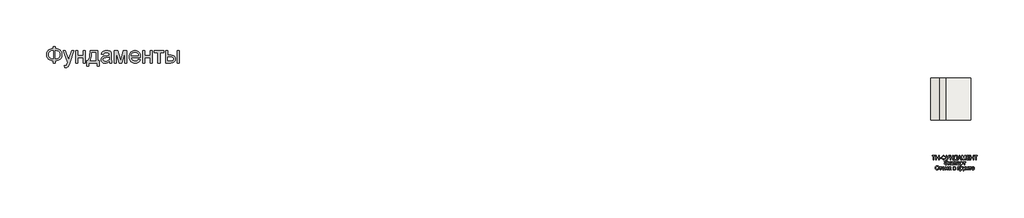
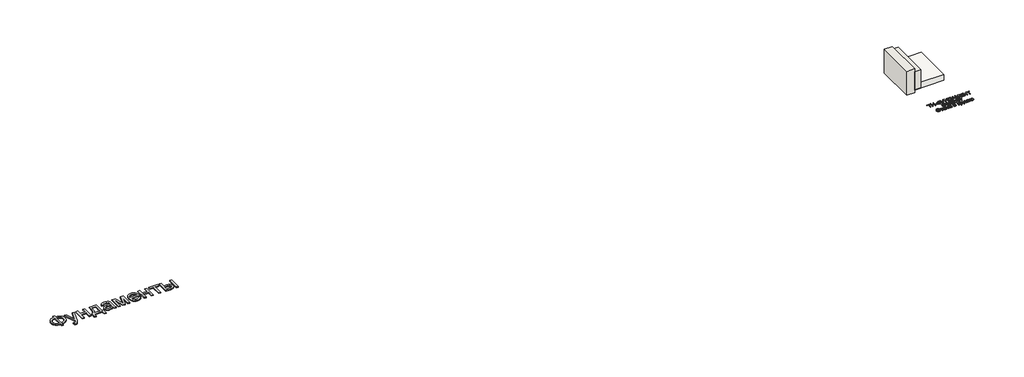
# One storey: 2 proxies, 2 walls, 1 slab.
"""IFC4 building model written with IfcOpenShell, lengths in millimetres."""

from ifc_helpers import new_model, si_unit, frame, origin, origin_with_axes, place, context, project, spatial, polyline, outline, extrude, faceted_brep, element, save

model = new_model("IFC4")

# Units and contexts
model_context = context("Model", 3, world=origin())
ifc_project = project(units=[si_unit("LENGTHUNIT", "METRE", prefix="MILLI")], contexts=[model_context])

# Site, building, storey
site = spatial("IfcSite", under=ifc_project)
building = spatial("IfcBuilding", under=site)
storey = spatial("IfcBuildingStorey", under=building, Elevation=0.0)

# Proxies
placement = place(None, origin())
element("IfcBuildingElementProxy", 1, Name="Generic Models", at=placement, inside=storey, context=model_context, shape_type="SweptSolid", body=[
    extrude(outline(polyline([(-1939.8736325, -26885.7211043), (-1939.8736325, -26787.7817103), (-1841.9342386, -26787.7817103), (-1841.9342386, -26885.7211043), (-1772.0723186, -26894.3529698), (-1709.9695132, -26912.2144755), (-1655.6258224, -26939.3056213), (-1609.0412461, -26975.6264073), (-1571.6743546, -27019.0607113), (-1544.9837177, -27067.4924111), (-1528.9693356, -27120.9215067), (-1523.6312083, -27179.3479982), (-1528.8019587, -27236.6028514), (-1544.3142102, -27289.3863505), (-1570.1679625, -27337.6984954), (-1606.3632158, -27381.5392861), (-1628.1416397, -27401.1761824), (-1652.1109076, -27418.4817577), (-1706.6219753, -27446.0989452), (-1769.896419, -27464.3908486), (-1841.9342386, -27473.3574679), (-1841.9342386, -27571.2968619), (-1939.8736325, -27571.2968619), (-1939.8736325, -27473.3574679), (-2005.3060425, -27466.0586398), (-2065.0237272, -27449.518216), (-2119.0266865, -27423.7361966), (-2167.3149204, -27388.7125816), (-2207.0669327, -27345.8939854), (-2222.6837947, -27322.10405), (-2235.4612272, -27296.7270228), (-2245.3992303, -27269.7629041), (-2252.4978039, -27241.2116938), (-2258.1766628, -27179.3479982), (-2252.5157371, -27117.2033486), (-2245.4395801, -27088.5878775), (-2235.5329602, -27061.6103088), (-2222.7958774, -27036.2706426), (-2207.2283318, -27012.5688789), (-2188.8303234, -26990.5050176), (-2167.6018522, -26970.0790588), (-2119.4032845, -26935.3961753), (-2065.382392, -26909.775555), (-2005.5391746, -26893.217198), (-1939.8736325, -26885.7211043)]), holes=[polyline([(-1841.9342386, -26983.6604982), (-1841.9342386, -27375.418074), (-1793.3949393, -27370.2234125), (-1750.3073446, -27359.2303372), (-1712.6714545, -27342.4388481), (-1680.4872689, -27319.8489452), (-1654.7112272, -27291.9627591), (-1636.2997689, -27259.2824206), (-1625.2528939, -27221.8079296), (-1621.5706022, -27179.5392861), (-1625.1871387, -27137.922217), (-1636.036748, -27100.872146), (-1654.1194303, -27068.389073), (-1679.4351855, -27040.4729982), (-1711.2905951, -27017.6977852), (-1748.9922405, -27000.6372975), (-1792.5401216, -26989.2915352), (-1841.9342386, -26983.6604982)]), polyline([(-1939.8736325, -26983.6604982), (-1986.781007, -26988.5861611), (-2028.989873, -26999.3461043), (-2066.5002305, -27015.9403278), (-2099.3120795, -27038.3688316), (-2125.9668498, -27066.2012179), (-2145.0059715, -27099.0070891), (-2156.4294445, -27136.7864452), (-2160.2372689, -27179.5392861), (-2156.4772665, -27221.9035735), (-2145.1972594, -27259.4737085), (-2126.3972476, -27292.2496909), (-2100.077231, -27320.231521), (-2067.5044919, -27342.8692459), (-2029.9463124, -27359.612913), (-1987.4026926, -27370.4625224), (-1939.8736325, -27375.418074), (-1939.8736325, -26983.6604982)])]), origin_with_axes(), (0.0, 0.0, 1.0), 40.0),
    extrude(outline(polyline([(-1401.2069658, -27791.6604982), (-1413.4493901, -27697.355574), (-1386.764731, -27703.8115399), (-1363.7145416, -27705.9635285), (-1337.5559242, -27703.2615872), (-1317.2315871, -27695.1557634), (-1301.4025151, -27682.2199206), (-1288.7296931, -27665.0279225), (-1261.9493901, -27592.9123922), (-1254.2978749, -27569.1926952), (-1462.4190871, -26995.9029225), (-1359.1236325, -26995.9029225), (-1248.7505264, -27315.35368), (-1210.3016628, -27443.1339831), (-1171.8527992, -27330.2741346), (-1058.4190871, -26995.9029225), (-955.888784, -26995.9029225), (-1156.1671931, -27585.0695891), (-1185.9124583, -27663.4019755), (-1208.1974961, -27712.8498922), (-1234.8343333, -27753.6420323), (-1265.0099961, -27781.9048164), (-1300.0634999, -27798.403396), (-1341.3338598, -27803.9029225), (-1369.6922878, -27800.8423164), (-1401.2069658, -27791.6604982)])), origin_with_axes(), (0.0, 0.0, 1.0), 40.0),
    extrude(outline(polyline([(-874.7827234, -26995.9029225), (-776.8433295, -26995.9029225), (-776.8433295, -27216.2665588), (-519.7524204, -27216.2665588), (-519.7524204, -26995.9029225), (-421.8130264, -26995.9029225), (-421.8130264, -27571.2968619), (-519.7524204, -27571.2968619), (-519.7524204, -27314.2059528), (-776.8433295, -27314.2059528), (-776.8433295, -27571.2968619), (-874.7827234, -27571.2968619), (-874.7827234, -26995.9029225)])), origin_with_axes(), (0.0, 0.0, 1.0), 40.0),
    extrude(outline(polyline([(-189.2069658, -26995.9029225), (178.0657614, -26995.9029225), (178.0657614, -27473.3574679), (251.5203069, -27473.3574679), (251.5203069, -27730.448377), (153.5809129, -27730.448377), (153.5809129, -27571.2968619), (-250.4190871, -27571.2968619), (-250.4190871, -27730.448377), (-348.358481, -27730.448377), (-348.358481, -27473.3574679), (-287.1463598, -27473.3574679), (-263.2293972, -27436.3970631), (-242.648017, -27392.9448259), (-225.4022192, -27343.0007563), (-211.4920037, -27286.5648543), (-200.9173707, -27223.6371199), (-193.67832, -27154.2175531), (-189.7748517, -27078.306154), (-189.2069658, -26995.9029225)]), holes=[polyline([(-103.5099961, -27093.8423164), (-111.5440871, -27213.7559054), (-126.4645416, -27316.979627), (-148.2713598, -27403.5134812), (-161.7571552, -27440.521708), (-176.9645416, -27473.3574679), (80.1263675, -27473.3574679), (80.1263675, -27093.8423164), (-103.5099961, -27093.8423164)])]), origin_with_axes(), (0.0, 0.0, 1.0), 40.0),
    extrude(outline(polyline([(728.9748523, -27497.8423164), (682.181055, -27537.964949), (658.2640924, -27552.8256261), (634.0004205, -27564.2192103), (583.3330436, -27578.7092672), (529.079019, -27583.5392861), (485.4713604, -27580.6341014), (447.2317179, -27571.9185475), (414.3600914, -27557.3926242), (386.8564811, -27537.0563316), (365.1393291, -27512.2008628), (349.6270777, -27484.1174111), (340.3197269, -27452.8059764), (337.2172766, -27418.2665588), (341.9038296, -27377.6657066), (355.9634887, -27340.7949679), (377.650752, -27309.2324679), (405.2201175, -27284.5563316), (437.619502, -27265.9057634), (473.796822, -27252.4199679), (558.5373523, -27237.6908013), (658.6765569, -27222.1964831), (728.4009887, -27204.0241346), (728.9748523, -27182.2173164), (727.2891279, -27158.4737085), (722.2319546, -27138.5080361), (713.8033325, -27122.3202994), (702.0032614, -27109.9104982), (681.6071914, -27097.5246081), (656.7636781, -27088.6775437), (627.4727217, -27083.369305), (593.734322, -27081.5998922), (535.391519, -27086.3103562), (512.8195493, -27092.1984362), (494.6472008, -27100.4417482), (479.7147908, -27111.6858888), (466.8626364, -27126.5764547), (456.0907378, -27145.1134457), (447.3990948, -27167.2968619), (349.4597008, -27155.0544376), (366.4604111, -27101.4938316), (378.0990829, -27079.0175058), (391.829966, -27059.4104982), (408.2448571, -27042.2782776), (427.9355531, -27027.2263126), (450.902054, -27014.2546033), (477.1443599, -27003.3631497), (537.3283088, -26988.5861611), (606.359322, -26983.6604982), (672.5688391, -26988.0122975), (725.0534508, -27001.0676952), (764.6261307, -27020.6986138), (792.0998523, -27044.7769755), (810.3200228, -27074.5461516), (822.1320493, -27111.2495134), (825.718697, -27145.1074679), (826.9142463, -27196.9464831), (826.9142463, -27318.7968619), (828.1576175, -27424.9377236), (831.8877311, -27488.94743), (839.2523145, -27531.0068524), (851.3990948, -27571.2968619), (753.4597008, -27571.2968619), (737.7740948, -27537.2476194), (728.9748523, -27497.8423164)]), holes=[polyline([(728.9748523, -27301.9635285), (663.171822, -27318.2708202), (570.9710645, -27331.9957255), (520.1602217, -27339.5037747), (486.7087539, -27347.8726194), (464.7823807, -27358.7282066), (448.546822, -27373.6964831), (438.5042084, -27391.6297217), (435.1566705, -27411.3801952), (436.9798831, -27426.599537), (442.4495209, -27440.5037747), (451.5655839, -27453.0929083), (464.328072, -27464.3669376), (480.6174305, -27473.6563552), (500.3141042, -27480.2916535), (549.9293978, -27485.5998922), (602.5335645, -27479.7417009), (626.5401932, -27472.4189618), (649.016519, -27462.167127), (686.7002311, -27436.2715304), (712.9066705, -27405.450271), (724.5274092, -27373.6964831), (728.4009887, -27329.700271), (728.9748523, -27301.9635285)])]), origin_with_axes(), (0.0, 0.0, 1.0), 40.0),
    extrude(outline(polyline([(961.5809129, -26995.9029225), (1130.1055342, -26995.9029225), (1259.9900039, -27456.5241346), (1400.0127311, -26995.9029225), (1561.4597008, -26995.9029225), (1561.4597008, -27571.2968619), (1463.5203069, -27571.2968619), (1463.5203069, -27107.9976194), (1322.7324281, -27571.2968619), (1194.1869736, -27571.2968619), (1059.5203069, -27085.8082255), (1059.5203069, -27571.2968619), (961.5809129, -27571.2968619), (961.5809129, -26995.9029225)])), origin_with_axes(), (0.0, 0.0, 1.0), 40.0),
    extrude(outline(polyline([(2111.2210645, -27399.9029225), (2207.2475796, -27412.1453467), (2192.5243907, -27450.6061658), (2172.6483845, -27484.4999869), (2147.6195611, -27513.8268098), (2117.4379205, -27538.5866346), (2082.4143055, -27558.2534196), (2042.8595588, -27572.3011232), (1998.7736805, -27580.7297454), (1950.1566705, -27583.5392861), (1889.3869025, -27578.6913339), (1835.2404773, -27564.1474774), (1787.717395, -27539.9077165), (1746.8176554, -27505.9720513), (1713.9280957, -27463.2849656), (1690.4355531, -27412.7909433), (1676.3400275, -27354.4899845), (1671.641519, -27288.3820891), (1676.3878495, -27220.0325389), (1690.626841, -27159.7888126), (1714.3584934, -27107.6509102), (1747.5828069, -27063.6188316), (1788.374947, -27028.6370607), (1834.8100796, -27003.6500816), (1886.8882046, -26988.6578941), (1944.609322, -26983.6604982), (2000.4713604, -26988.6459386), (2050.9892936, -27003.6022596), (2096.1631218, -27028.5294613), (2135.9928448, -27063.4275437), (2168.5058064, -27107.3639783), (2191.7293504, -27159.4062369), (2205.6634769, -27219.5543192), (2210.3081857, -27287.8082255), (2209.734322, -27314.2059528), (1769.5809129, -27314.2059528), (1775.2537941, -27353.2884575), (1786.5338012, -27387.5170323), (1803.4209343, -27416.8916772), (1825.9151932, -27441.4123922), (1852.773207, -27460.7444234), (1882.7516042, -27474.5530172), (1915.850385, -27482.8381734), (1952.0695493, -27485.5998922), (2004.1954963, -27480.4829414), (2048.0960645, -27465.1320891), (2066.9618315, -27453.3798401), (2083.7712539, -27438.590896), (2098.5243315, -27420.7652567), (2111.2210645, -27399.9029225)]), holes=[polyline([(1769.5809129, -27216.2665588), (2112.3687917, -27216.2665588), (2107.3355294, -27188.5537274), (2099.1221061, -27164.5231876), (2087.7285218, -27144.1749395), (2073.1547766, -27127.5089831), (2046.4462065, -27107.4237558), (2016.0553448, -27093.0771649), (1981.9821914, -27084.4692103), (1944.2267463, -27081.5998922), (1909.7889504, -27083.889369), (1878.2085171, -27090.7577994), (1849.4854466, -27102.2051834), (1823.6197387, -27118.231521), (1801.9145422, -27138.0955716), (1785.6730057, -27161.0560948), (1774.8951293, -27187.1130906), (1769.5809129, -27216.2665588)])]), origin_with_axes(), (0.0, 0.0, 1.0), 40.0),
    extrude(outline(polyline([(2308.2475796, -26995.9029225), (2406.1869736, -26995.9029225), (2406.1869736, -27216.2665588), (2663.2778826, -27216.2665588), (2663.2778826, -26995.9029225), (2761.2172766, -26995.9029225), (2761.2172766, -27571.2968619), (2663.2778826, -27571.2968619), (2663.2778826, -27314.2059528), (2406.1869736, -27314.2059528), (2406.1869736, -27571.2968619), (2308.2475796, -27571.2968619), (2308.2475796, -26995.9029225)])), origin_with_axes(), (0.0, 0.0, 1.0), 40.0),
    extrude(outline(polyline([(2859.1566705, -26995.9029225), (3324.3687917, -26995.9029225), (3324.3687917, -27093.8423164), (3140.7324281, -27093.8423164), (3140.7324281, -27571.2968619), (3042.7930342, -27571.2968619), (3042.7930342, -27093.8423164), (2859.1566705, -27093.8423164), (2859.1566705, -26995.9029225)])), origin_with_axes(), (0.0, 0.0, 1.0), 40.0),
    extrude(outline(polyline([(3948.7324281, -26995.9029225), (4046.671822, -26995.9029225), (4046.671822, -27571.2968619), (3948.7324281, -27571.2968619), (3948.7324281, -26995.9029225)])), origin_with_axes(), (0.0, 0.0, 1.0), 40.0),
    extrude(outline(polyline([(3410.0657614, -26995.9029225), (3508.0051554, -26995.9029225), (3508.0051554, -27204.0241346), (3629.0903826, -27204.0241346), (3684.8089551, -27207.0907184), (3733.7487633, -27216.2904698), (3775.9098074, -27231.6233888), (3811.2920872, -27253.0894755), (3839.2858727, -27279.9474892), (3859.2814338, -27311.4561895), (3871.2787704, -27347.6155763), (3875.2778826, -27388.4256497), (3871.924367, -27424.8361019), (3861.8638201, -27458.5087463), (3845.096242, -27489.443583), (3821.6216326, -27517.6406119), (3790.7824399, -27541.1152212), (3751.9211118, -27557.8827994), (3705.0376483, -27567.9433462), (3650.1320493, -27571.2968619), (3410.0657614, -27571.2968619), (3410.0657614, -26995.9029225)]), holes=[polyline([(3508.0051554, -27473.3574679), (3608.6225796, -27473.3574679), (3686.6202122, -27468.2166062), (3715.8274802, -27461.790529), (3738.5070493, -27452.794021), (3755.495804, -27441.0716606), (3767.6306289, -27426.4680266), (3774.9115237, -27408.983119), (3777.3384887, -27388.6169376), (3775.5391871, -27372.1542245), (3770.1412823, -27356.6240399), (3761.1447742, -27342.0263836), (3748.5496629, -27328.3612558), (3729.8094286, -27316.8122501), (3702.3775512, -27308.5629603), (3666.2540308, -27303.6133865), (3621.4388675, -27301.9635285), (3508.0051554, -27301.9635285), (3508.0051554, -27473.3574679)])]), origin_with_axes(), (0.0, 0.0, 1.0), 40.0),
])
element("IfcBuildingElementProxy", 2, Name="Generic Models", at=placement, inside=storey, context=model_context, shape_type="SweptSolid", body=[
    extrude(outline(polyline([(39925.3446194, -32185.261782), (39925.3446194, -32012.9540897), (39860.7292348, -32012.9540897), (39860.7292348, -31988.3387051), (40014.5753886, -31988.3387051), (40014.5753886, -32012.9540897), (39949.960004, -32012.9540897), (39949.960004, -32185.261782), (39925.3446194, -32185.261782)])), origin_with_axes(), (0.0, 0.0, 1.0), 20.0),
    extrude(outline(polyline([(40042.2676963, -32185.261782), (40042.2676963, -31988.3387051), (40066.8830809, -31988.3387051), (40066.8830809, -32068.3387051), (40171.4984656, -32068.3387051), (40171.4984656, -31988.3387051), (40196.1138502, -31988.3387051), (40196.1138502, -32185.261782), (40171.4984656, -32185.261782), (40171.4984656, -32092.9540897), (40066.8830809, -32092.9540897), (40066.8830809, -32185.261782), (40042.2676963, -32185.261782)])), origin_with_axes(), (0.0, 0.0, 1.0), 20.0),
    extrude(outline(polyline([(40223.8061579, -32126.8002435), (40223.8061579, -32102.1848589), (40300.7292348, -32102.1848589), (40300.7292348, -32126.8002435), (40223.8061579, -32126.8002435)])), origin_with_axes(), (0.0, 0.0, 1.0), 20.0),
    extrude(outline(polyline([(40402.2676963, -32012.9540897), (40402.2676963, -31988.3387051), (40426.8830809, -31988.3387051), (40426.8830809, -32012.9540897), (40460.0501482, -32019.6127435), (40485.4167348, -32035.5502435), (40501.5164944, -32058.6391858), (40506.8830809, -32086.7521666), (40501.6847636, -32114.4084166), (40486.0898117, -32137.5694743), (40460.8914944, -32153.7954358), (40426.8830809, -32160.6463974), (40426.8830809, -32185.261782), (40402.2676963, -32185.261782), (40402.2676963, -32160.6463974), (40370.8133694, -32154.6548108), (40345.1042348, -32139.3723589), (40335.1132492, -32128.6106402), (40327.9768309, -32116.2533685), (40322.2676963, -32086.7521666), (40327.9588021, -32057.1608204), (40335.0726843, -32044.8350993), (40345.0321194, -32034.1560127), (40370.7232252, -32018.9997627), (40402.2676963, -32012.9540897)]), holes=[polyline([(40402.2676963, -32037.5694743), (40379.8698598, -32041.511782), (40362.1955809, -32051.3194743), (40350.7112059, -32066.5598589), (40346.8830809, -32086.8002435), (40350.663129, -32106.8903877), (40362.0032732, -32122.1608204), (40379.6294752, -32132.058657), (40402.2676963, -32136.0310127), (40402.2676963, -32037.5694743)]), polyline([(40426.8830809, -32037.5694743), (40426.8830809, -32136.0310127), (40449.9119271, -32131.9625031), (40467.460004, -32122.0646666), (40478.5657732, -32106.8423108), (40482.2676963, -32086.8002435), (40478.631879, -32067.0286089), (40467.7244271, -32051.8483204), (40450.2424559, -32041.8363012), (40426.8830809, -32037.5694743)])]), origin_with_axes(), (0.0, 0.0, 1.0), 20.0),
    extrude(outline(polyline([(40526.8830809, -31988.3387051), (40554.1426963, -31988.3387051), (40613.0369271, -32104.9733204), (40666.0176963, -31988.3387051), (40693.0369271, -31988.3387051), (40618.2773117, -32141.7521666), (40597.9407732, -32179.4444743), (40588.2893309, -32186.1151474), (40575.2003886, -32188.3387051), (40553.0369271, -32185.261782), (40553.0369271, -32163.7233204), (40572.4119271, -32163.7233204), (40586.7869271, -32158.2425512), (40600.1042348, -32133.2906281), (40526.8830809, -31988.3387051)])), origin_with_axes(), (0.0, 0.0, 1.0), 20.0),
    extrude(outline(polyline([(40716.1138502, -32185.261782), (40716.1138502, -31988.3387051), (40740.7292348, -31988.3387051), (40740.7292348, -32068.3387051), (40845.3446194, -32068.3387051), (40845.3446194, -31988.3387051), (40869.960004, -31988.3387051), (40869.960004, -32185.261782), (40845.3446194, -32185.261782), (40845.3446194, -32092.9540897), (40740.7292348, -32092.9540897), (40740.7292348, -32185.261782), (40716.1138502, -32185.261782)])), origin_with_axes(), (0.0, 0.0, 1.0), 20.0),
    extrude(outline(polyline([(40931.4984656, -31988.3387051), (41048.4215425, -31988.3387051), (41048.4215425, -32160.6463974), (41066.8830809, -32160.6463974), (41066.8830809, -32231.4156281), (41042.2676963, -32231.4156281), (41042.2676963, -32185.261782), (40916.1138502, -32185.261782), (40916.1138502, -32231.4156281), (40891.4984656, -32231.4156281), (40891.4984656, -32160.6463974), (40906.8830809, -32160.6463974), (40917.6523117, -32138.3176714), (40925.3446194, -32106.9084166), (40929.960004, -32066.4186329), (40931.4984656, -32016.8483204), (40931.4984656, -31988.3387051)]), holes=[polyline([(41023.8061579, -32012.9540897), (40956.1138502, -32012.9540897), (40956.1138502, -32022.8579358), (40951.1138502, -32090.3098589), (40943.710004, -32129.2882243), (40931.4984656, -32160.6463974), (41023.8061579, -32160.6463974), (41023.8061579, -32012.9540897)])]), origin_with_axes(), (0.0, 0.0, 1.0), 20.0),
    extrude(outline(polyline([(41074.7196194, -32185.261782), (41153.3253886, -31988.3387051), (41174.2869271, -31988.3387051), (41252.8926963, -32185.261782), (41226.8830809, -32185.261782), (41204.335004, -32123.7233204), (41123.2292348, -32123.7233204), (41100.7292348, -32185.261782), (41074.7196194, -32185.261782)]), holes=[polyline([(41132.2676963, -32099.1079358), (41195.3446194, -32099.1079358), (41177.6042348, -32050.6944743), (41163.8061579, -32012.9540897), (41151.5465425, -32046.4637051), (41132.2676963, -32099.1079358)])]), origin_with_axes(), (0.0, 0.0, 1.0), 20.0),
    extrude(outline(polyline([(41279.1907732, -32185.261782), (41279.1907732, -31988.3387051), (41321.5465425, -31988.3387051), (41361.835004, -32127.136782), (41369.960004, -32156.1271666), (41378.7580809, -32124.7329358), (41418.3734656, -31988.3387051), (41460.7292348, -31988.3387051), (41460.7292348, -32185.261782), (41436.1138502, -32185.261782), (41436.1138502, -32012.9540897), (41386.6426963, -32185.261782), (41353.2773117, -32185.261782), (41303.8061579, -32012.9540897), (41303.8061579, -32185.261782), (41279.1907732, -32185.261782)])), origin_with_axes(), (0.0, 0.0, 1.0), 20.0),
    extrude(outline(polyline([(41503.8061579, -32185.261782), (41503.8061579, -31988.3387051), (41645.3446194, -31988.3387051), (41645.3446194, -32012.9540897), (41528.4215425, -32012.9540897), (41528.4215425, -32071.4156281), (41639.1907732, -32071.4156281), (41639.1907732, -32096.0310127), (41528.4215425, -32096.0310127), (41528.4215425, -32160.6463974), (41648.4215425, -32160.6463974), (41648.4215425, -32185.261782), (41503.8061579, -32185.261782)])), origin_with_axes(), (0.0, 0.0, 1.0), 20.0),
    extrude(outline(polyline([(41685.3446194, -32185.261782), (41685.3446194, -31988.3387051), (41709.960004, -31988.3387051), (41709.960004, -32068.3387051), (41814.5753886, -32068.3387051), (41814.5753886, -31988.3387051), (41839.1907732, -31988.3387051), (41839.1907732, -32185.261782), (41814.5753886, -32185.261782), (41814.5753886, -32092.9540897), (41709.960004, -32092.9540897), (41709.960004, -32185.261782), (41685.3446194, -32185.261782)])), origin_with_axes(), (0.0, 0.0, 1.0), 20.0),
    extrude(outline(polyline([(41931.4984656, -32185.261782), (41931.4984656, -32012.9540897), (41866.8830809, -32012.9540897), (41866.8830809, -31988.3387051), (42020.7292348, -31988.3387051), (42020.7292348, -32012.9540897), (41956.1138502, -32012.9540897), (41956.1138502, -32185.261782), (41931.4984656, -32185.261782)])), origin_with_axes(), (0.0, 0.0, 1.0), 20.0),
    extrude(outline(polyline([(40511.4984656, -32314.4925512), (40585.3446194, -32314.4925512), (40579.9239463, -32289.1019262), (40566.9311579, -32269.5646666), (40546.9551963, -32257.1067339), (40520.585004, -32252.9540897), (40500.7082011, -32255.4540897), (40484.8758694, -32262.9540897), (40473.0880088, -32275.4540897), (40465.3446194, -32292.9540897), (40440.7292348, -32286.8002435), (40451.2580809, -32262.3050512), (40468.4215425, -32243.8194743), (40491.3902925, -32232.2088974), (40519.335004, -32228.3387051), (40546.1739463, -32231.8903877), (40568.9984656, -32242.5454358), (40587.1294752, -32258.7233204), (40599.8878886, -32278.8435127), (40607.4419752, -32302.1067339), (40609.960004, -32327.7137051), (40609.1937781, -32348.7668902), (40605.4047156, -32368.0802916), (40598.5928165, -32385.6539094), (40588.7580809, -32401.4877435), (40575.9245473, -32414.581193), (40560.116254, -32423.933657), (40541.3332011, -32429.5451353), (40519.5753886, -32431.4156281), (40490.116254, -32427.3771666), (40466.6426963, -32415.261782), (40449.1547156, -32395.0694743), (40437.6523117, -32366.8002435), (40462.2676963, -32360.6463974), (40470.585004, -32380.8387051), (40483.3734656, -32395.261782), (40500.6330809, -32403.9156281), (40522.3638502, -32406.8002435), (40546.9071194, -32402.2689935), (40566.5946194, -32388.6752435), (40579.9119271, -32367.2209166), (40585.3446194, -32339.1079358), (40511.4984656, -32339.1079358), (40511.4984656, -32314.4925512)])), origin_with_axes(), (0.0, 0.0, 1.0), 20.0),
    extrude(outline(polyline([(40640.7292348, -32283.7233204), (40665.3446194, -32283.7233204), (40665.3446194, -32345.261782), (40681.835004, -32340.8387051), (40695.3446194, -32315.0694743), (40706.5705809, -32292.8338974), (40716.4744271, -32285.5983204), (40734.4792348, -32283.7233204), (40739.1907732, -32283.7233204), (40739.1907732, -32308.4829358), (40732.5561579, -32308.3387051), (40720.5369271, -32310.9348589), (40712.0753886, -32327.136782), (40702.147504, -32344.6608204), (40688.2292348, -32353.2425512), (40703.7580809, -32362.8218781), (40718.9984656, -32383.0021666), (40745.3446194, -32428.3387051), (40717.3638502, -32428.3387051), (40691.5465425, -32383.9637051), (40678.5657732, -32365.1896666), (40665.3446194, -32360.6463974), (40665.3446194, -32428.3387051), (40640.7292348, -32428.3387051), (40640.7292348, -32283.7233204)])), origin_with_axes(), (0.0, 0.0, 1.0), 20.0),
    extrude(outline(polyline([(40853.0369271, -32376.0310127), (40877.6523117, -32379.1079358), (40870.7893309, -32401.0009647), (40857.8926963, -32417.5454358), (40840.1763502, -32427.9480801), (40818.8542348, -32431.4156281), (40792.6703406, -32426.5778877), (40772.1955809, -32412.0646666), (40758.9804367, -32388.5129839), (40754.5753886, -32356.5598589), (40756.4563982, -32334.6548108), (40762.0994271, -32315.6704358), (40771.5946194, -32300.339907), (40785.0321194, -32289.3963974), (40801.1078406, -32282.8338974), (40818.5176963, -32280.6463974), (40839.3169752, -32283.6512051), (40855.9455809, -32292.6656281), (40867.8746675, -32307.2088974), (40874.5753886, -32326.8002435), (40849.960004, -32329.8771666), (40845.4948598, -32319.1379839), (40838.5417348, -32311.4396666), (40829.4852444, -32306.8062531), (40818.710004, -32305.261782), (40802.8025521, -32308.3026474), (40790.1763502, -32317.4252435), (40781.9371675, -32333.1223589), (40779.1907732, -32355.886782), (40781.8770713, -32378.9576954), (40789.9359656, -32394.7088974), (40802.3338021, -32403.777407), (40818.0369271, -32406.8002435), (40830.7833213, -32404.9132243), (40841.2340425, -32399.2521666), (40848.8362059, -32389.6728397), (40853.0369271, -32376.0310127)])), origin_with_axes(), (0.0, 0.0, 1.0), 20.0),
    extrude(outline(polyline([(40899.1907732, -32283.7233204), (41009.960004, -32283.7233204), (41009.960004, -32428.3387051), (40985.3446194, -32428.3387051), (40985.3446194, -32308.3387051), (40923.8061579, -32308.3387051), (40923.8061579, -32428.3387051), (40899.1907732, -32428.3387051), (40899.1907732, -32283.7233204)])), origin_with_axes(), (0.0, 0.0, 1.0), 20.0),
    extrude(outline(polyline([(41148.1330809, -32385.261782), (41172.2676963, -32388.3387051), (41163.5717829, -32406.5238012), (41149.6955809, -32420.1175512), (41130.9515906, -32428.5911089), (41107.6523117, -32431.4156281), (41078.7701002, -32426.5418301), (41056.5465425, -32411.9204358), (41042.3758694, -32388.5009647), (41037.6523117, -32357.2329358), (41042.4239463, -32324.9132243), (41056.7388502, -32300.7425512), (41078.6619271, -32285.6704358), (41106.2580809, -32280.6463974), (41132.9948598, -32285.6584166), (41154.3590425, -32300.6944743), (41168.3674559, -32324.8170704), (41173.0369271, -32357.0887051), (41172.8926963, -32363.7233204), (41062.2676963, -32363.7233204), (41066.5285136, -32382.1488012), (41076.4263502, -32395.6944743), (41090.7112059, -32404.0238012), (41108.1330809, -32406.8002435), (41132.2676963, -32401.6560127), (41141.2340425, -32394.9853397), (41148.1330809, -32385.261782)]), holes=[polyline([(41062.2676963, -32339.1079358), (41148.4215425, -32339.1079358), (41145.0922156, -32326.1031281), (41138.5657732, -32316.8002435), (41124.2148117, -32308.1463974), (41106.1619271, -32305.261782), (41089.569379, -32307.5634647), (41075.8494271, -32314.4685127), (41066.3121675, -32325.2317339), (41062.2676963, -32339.1079358)])]), origin_with_axes(), (0.0, 0.0, 1.0), 20.0),
    extrude(outline(polyline([(41197.6523117, -32483.7233204), (41197.6523117, -32283.7233204), (41222.2676963, -32283.7233204), (41222.2676963, -32307.8579358), (41239.2869271, -32287.449282), (41249.7676963, -32282.3471185), (41262.2676963, -32280.6463974), (41278.9143309, -32283.0262051), (41293.4696194, -32290.1656281), (41305.3205809, -32301.6319743), (41313.8542348, -32316.9925512), (41319.0104848, -32335.1295704), (41320.7292348, -32354.9252435), (41318.788129, -32375.9769262), (41312.9648117, -32394.8050512), (41303.4455809, -32410.4540897), (41290.4167348, -32421.9685127), (41275.2424559, -32429.0538493), (41259.2869271, -32431.4156281), (41247.9708213, -32429.8350993), (41237.8686579, -32425.0935127), (41222.2676963, -32409.1079358), (41222.2676963, -32483.7233204), (41197.6523117, -32483.7233204)]), holes=[polyline([(41222.2676963, -32357.1848589), (41224.9299559, -32379.2521666), (41232.9167348, -32394.6848589), (41244.7015906, -32403.7713974), (41258.7580809, -32406.8002435), (41273.0429367, -32403.6632243), (41285.1282732, -32394.2521666), (41293.3674559, -32378.2545704), (41296.1138502, -32355.3579358), (41293.4335617, -32333.4108204), (41285.3926963, -32317.761782), (41273.6258694, -32308.386782), (41259.7676963, -32305.261782), (41245.8554367, -32308.5850993), (41233.6378886, -32318.5550512), (41225.1102444, -32334.8591377), (41222.2676963, -32357.1848589)])]), origin_with_axes(), (0.0, 0.0, 1.0), 20.0),
    extrude(outline(polyline([(41336.1138502, -32283.7233204), (41453.0369271, -32283.7233204), (41453.0369271, -32308.3387051), (41406.8830809, -32308.3387051), (41406.8830809, -32428.3387051), (41382.2676963, -32428.3387051), (41382.2676963, -32308.3387051), (41336.1138502, -32308.3387051), (41336.1138502, -32283.7233204)])), origin_with_axes(), (0.0, 0.0, 1.0), 20.0),
    extrude(outline(polyline([(40159.1907732, -32601.4156281), (40183.8061579, -32607.761782), (40172.4479848, -32636.4456762), (40154.6234656, -32657.4012051), (40131.210004, -32670.2197147), (40103.085004, -32674.4925512), (40074.5333213, -32671.2593781), (40051.8590425, -32661.5598589), (40034.4792348, -32645.730532), (40021.8109656, -32624.1079358), (40014.0765906, -32598.6872627), (40011.4984656, -32571.4637051), (40014.413129, -32542.7497627), (40023.1571194, -32517.9540897), (40037.2737059, -32497.8639454), (40056.3061579, -32483.2665897), (40078.8782732, -32474.3783685), (40103.6138502, -32471.4156281), (40130.6030329, -32475.2497627), (40152.9167348, -32486.7521666), (40169.8578406, -32505.2137051), (40180.7292348, -32529.9252435), (40156.1138502, -32535.7906281), (40147.5801963, -32517.839907), (40135.9215425, -32505.5262051), (40120.9936579, -32498.4048108), (40102.6523117, -32496.0310127), (40081.5104848, -32498.6632243), (40064.1426963, -32506.5598589), (40050.9636098, -32518.8915897), (40042.3878886, -32534.8290897), (40037.6823598, -32552.8459166), (40036.1138502, -32571.4156281), (40037.9708213, -32594.1560127), (40043.5417348, -32613.8194743), (40053.0369271, -32629.6548108), (40066.6667348, -32640.9108204), (40083.006879, -32647.6355801), (40100.6330809, -32649.8771666), (40121.1799559, -32646.824282), (40138.3013502, -32637.6656281), (40151.2280329, -32622.4973589), (40159.1907732, -32601.4156281)])), origin_with_axes(), (0.0, 0.0, 1.0), 20.0),
    extrude(outline(polyline([(40202.2676963, -32526.8002435), (40319.1907732, -32526.8002435), (40319.1907732, -32551.4156281), (40273.0369271, -32551.4156281), (40273.0369271, -32671.4156281), (40248.4215425, -32671.4156281), (40248.4215425, -32551.4156281), (40202.2676963, -32551.4156281), (40202.2676963, -32526.8002435)])), origin_with_axes(), (0.0, 0.0, 1.0), 20.0),
    extrude(outline(polyline([(40441.9792348, -32628.3387051), (40466.1138502, -32631.4156281), (40457.4179367, -32649.6007243), (40443.5417348, -32663.1944743), (40424.7977444, -32671.668032), (40401.4984656, -32674.4925512), (40372.616254, -32669.6187531), (40350.3926963, -32654.9973589), (40336.2220232, -32631.5778877), (40331.4984656, -32600.3098589), (40336.2701002, -32567.9901474), (40350.585004, -32543.8194743), (40372.5080809, -32528.7473589), (40400.1042348, -32523.7233204), (40426.8410136, -32528.7353397), (40448.2051963, -32543.7713974), (40462.2136098, -32567.8939935), (40466.8830809, -32600.1656281), (40466.7388502, -32606.8002435), (40356.1138502, -32606.8002435), (40360.3746675, -32625.2257243), (40370.272504, -32638.7713974), (40384.5573598, -32647.1007243), (40401.9792348, -32649.8771666), (40426.1138502, -32644.7329358), (40435.0801963, -32638.0622627), (40441.9792348, -32628.3387051)]), holes=[polyline([(40356.1138502, -32582.1848589), (40442.2676963, -32582.1848589), (40438.9383694, -32569.1800512), (40432.4119271, -32559.8771666), (40418.0609656, -32551.2233204), (40400.0080809, -32548.3387051), (40383.4155329, -32550.6403877), (40369.6955809, -32557.5454358), (40360.1583213, -32568.308657), (40356.1138502, -32582.1848589)])]), origin_with_axes(), (0.0, 0.0, 1.0), 20.0),
    extrude(outline(polyline([(40491.4984656, -32526.8002435), (40516.1138502, -32526.8002435), (40516.1138502, -32582.1848589), (40580.7292348, -32582.1848589), (40580.7292348, -32526.8002435), (40605.3446194, -32526.8002435), (40605.3446194, -32671.4156281), (40580.7292348, -32671.4156281), (40580.7292348, -32606.8002435), (40516.1138502, -32606.8002435), (40516.1138502, -32671.4156281), (40491.4984656, -32671.4156281), (40491.4984656, -32526.8002435)])), origin_with_axes(), (0.0, 0.0, 1.0), 20.0),
    extrude(outline(polyline([(40734.5753886, -32652.9540897), (40710.7051963, -32669.636782), (40684.335004, -32674.4925512), (40663.7640906, -32671.5718781), (40648.5898117, -32662.8098589), (40639.2328406, -32649.5045704), (40636.1138502, -32632.9540897), (40640.8253886, -32613.4829358), (40653.2051963, -32599.3483204), (40670.4407732, -32591.2713974), (40691.7388502, -32587.5694743), (40734.4311579, -32579.1079358), (40734.5753886, -32573.6271666), (40732.8806771, -32562.6415897), (40727.7965425, -32555.4540897), (40716.4263502, -32550.1175512), (40700.585004, -32548.3387051), (40675.6811579, -32553.074282), (40668.6979848, -32559.6427916), (40663.8061579, -32569.8771666), (40639.1907732, -32566.8002435), (40649.8398117, -32542.761782), (40658.9143309, -32534.6728397), (40671.2821194, -32528.6752435), (40703.7580809, -32523.7233204), (40733.5898117, -32528.0983204), (40750.4407732, -32539.0838974), (40757.9888502, -32555.7906281), (40759.1907732, -32577.3290897), (40759.1907732, -32607.9540897), (40760.4407732, -32650.7185127), (40765.3446194, -32671.4156281), (40740.7292348, -32671.4156281), (40734.5753886, -32652.9540897)]), holes=[polyline([(40734.5753886, -32603.7233204), (40694.8638502, -32611.2713974), (40673.6859656, -32615.261782), (40664.0946194, -32621.7521666), (40660.7292348, -32631.2233204), (40662.5621675, -32638.543032), (40668.0609656, -32644.5406281), (40677.1054367, -32648.543032), (40689.5753886, -32649.8771666), (40702.7965425, -32648.4048108), (40714.4792348, -32643.9877435), (40730.5369271, -32629.7329358), (40734.4311579, -32610.6944743), (40734.5753886, -32603.7233204)])]), origin_with_axes(), (0.0, 0.0, 1.0), 20.0),
    extrude(outline(polyline([(40869.960004, -32526.8002435), (40924.1907732, -32526.8002435), (40953.9263502, -32530.0935127), (40970.6571194, -32542.1608204), (40975.9035136, -32551.8062531), (40977.6523117, -32563.1944743), (40973.4215425, -32580.2858204), (40960.6811579, -32592.4733204), (40969.7917348, -32597.5875031), (40977.2196194, -32605.8146666), (40982.1595232, -32616.5057724), (40983.8061579, -32629.011782), (40979.6354848, -32647.7738012), (40969.7196194, -32660.9829358), (40954.022504, -32668.8074551), (40932.5080809, -32671.4156281), (40869.960004, -32671.4156281), (40869.960004, -32526.8002435)]), holes=[polyline([(40894.5753886, -32582.1848589), (40918.9023117, -32582.1848589), (40938.9744271, -32580.9348589), (40948.7340425, -32575.9348589), (40953.0369271, -32566.8963974), (40951.1499079, -32559.5526474), (40945.4888502, -32554.8290897), (40919.6715425, -32551.4156281), (40894.5753886, -32551.4156281), (40894.5753886, -32582.1848589)]), polyline([(40894.5753886, -32646.8002435), (40924.7676963, -32646.8002435), (40941.2220232, -32645.6884647), (40951.5465425, -32642.3531281), (40957.0874079, -32636.2894262), (40959.1907732, -32626.9925512), (40954.9840425, -32615.1415897), (40944.022504, -32608.2425512), (40922.3638502, -32606.8002435), (40894.5753886, -32606.8002435), (40894.5753886, -32646.8002435)])]), origin_with_axes(), (0.0, 0.0, 1.0), 20.0),
    extrude(outline(polyline([(41091.4984656, -32526.8002435), (41171.4984656, -32526.8002435), (41171.4984656, -32551.4156281), (41116.1138502, -32551.4156281), (41116.1138502, -32671.4156281), (41091.4984656, -32671.4156281), (41091.4984656, -32526.8002435)])), origin_with_axes(), (0.0, 0.0, 1.0), 20.0),
    extrude(outline(polyline([(41189.960004, -32726.8002435), (41189.960004, -32526.8002435), (41214.5753886, -32526.8002435), (41214.5753886, -32550.9348589), (41231.5946194, -32530.5262051), (41242.0753886, -32525.4240416), (41254.5753886, -32523.7233204), (41271.2220232, -32526.1031281), (41285.7773117, -32533.2425512), (41297.6282732, -32544.7088974), (41306.1619271, -32560.0694743), (41311.3181771, -32578.2064935), (41313.0369271, -32598.0021666), (41311.0958213, -32619.0538493), (41305.272504, -32637.8819743), (41295.7532732, -32653.5310127), (41282.7244271, -32665.0454358), (41267.5501482, -32672.1307724), (41251.5946194, -32674.4925512), (41240.2785136, -32672.9120224), (41230.1763502, -32668.1704358), (41214.5753886, -32652.1848589), (41214.5753886, -32726.8002435), (41189.960004, -32726.8002435)]), holes=[polyline([(41214.5753886, -32600.261782), (41217.2376482, -32622.3290897), (41225.2244271, -32637.761782), (41237.0092829, -32646.8483204), (41251.0657732, -32649.8771666), (41265.350629, -32646.7401474), (41277.4359656, -32637.3290897), (41285.6751482, -32621.3314935), (41288.4215425, -32598.4348589), (41285.741254, -32576.4877435), (41277.7003886, -32560.8387051), (41265.9335617, -32551.4637051), (41252.0753886, -32548.3387051), (41238.163129, -32551.6620224), (41225.9455809, -32561.6319743), (41217.4179367, -32577.9360608), (41214.5753886, -32600.261782)])]), origin_with_axes(), (0.0, 0.0, 1.0), 20.0),
    extrude(outline(polyline([(41340.7292348, -32726.8002435), (41337.6523117, -32703.0983204), (41350.1523117, -32705.261782), (41361.835004, -32702.5454358), (41368.9984656, -32694.9733204), (41375.7292348, -32676.8483204), (41377.6523117, -32670.886782), (41325.3446194, -32526.8002435), (41351.3061579, -32526.8002435), (41379.0465425, -32607.0887051), (41388.710004, -32639.2040897), (41398.3734656, -32610.8387051), (41426.8830809, -32526.8002435), (41452.6523117, -32526.8002435), (41402.3157732, -32674.8771666), (41389.2388502, -32706.9925512), (41374.960004, -32724.3483204), (41355.7773117, -32729.8771666), (41340.7292348, -32726.8002435)])), origin_with_axes(), (0.0, 0.0, 1.0), 20.0),
    extrude(outline(polyline([(41473.0369271, -32526.8002435), (41497.6523117, -32526.8002435), (41497.6523117, -32582.1848589), (41562.2676963, -32582.1848589), (41562.2676963, -32526.8002435), (41586.8830809, -32526.8002435), (41586.8830809, -32671.4156281), (41562.2676963, -32671.4156281), (41562.2676963, -32606.8002435), (41497.6523117, -32606.8002435), (41497.6523117, -32671.4156281), (41473.0369271, -32671.4156281), (41473.0369271, -32526.8002435)])), origin_with_axes(), (0.0, 0.0, 1.0), 20.0),
    extrude(outline(polyline([(41611.4984656, -32526.8002435), (41728.4215425, -32526.8002435), (41728.4215425, -32551.4156281), (41682.2676963, -32551.4156281), (41682.2676963, -32671.4156281), (41657.6523117, -32671.4156281), (41657.6523117, -32551.4156281), (41611.4984656, -32551.4156281), (41611.4984656, -32526.8002435)])), origin_with_axes(), (0.0, 0.0, 1.0), 20.0),
    extrude(outline(polyline([(41851.210004, -32628.3387051), (41875.3446194, -32631.4156281), (41866.6487059, -32649.6007243), (41852.772504, -32663.1944743), (41834.0285136, -32671.668032), (41810.7292348, -32674.4925512), (41781.8470232, -32669.6187531), (41759.6234656, -32654.9973589), (41745.4527925, -32631.5778877), (41740.7292348, -32600.3098589), (41745.5008694, -32567.9901474), (41759.8157732, -32543.8194743), (41781.7388502, -32528.7473589), (41809.335004, -32523.7233204), (41836.0717829, -32528.7353397), (41857.4359656, -32543.7713974), (41871.444379, -32567.8939935), (41876.1138502, -32600.1656281), (41875.9696194, -32606.8002435), (41765.3446194, -32606.8002435), (41769.6054367, -32625.2257243), (41779.5032732, -32638.7713974), (41793.788129, -32647.1007243), (41811.210004, -32649.8771666), (41835.3446194, -32644.7329358), (41844.3109656, -32638.0622627), (41851.210004, -32628.3387051)]), holes=[polyline([(41765.3446194, -32582.1848589), (41851.4984656, -32582.1848589), (41848.1691386, -32569.1800512), (41841.6426963, -32559.8771666), (41827.2917348, -32551.2233204), (41809.2388502, -32548.3387051), (41792.6463021, -32550.6403877), (41778.9263502, -32557.5454358), (41769.3890906, -32568.308657), (41765.3446194, -32582.1848589)])]), origin_with_axes(), (0.0, 0.0, 1.0), 20.0),
])

# Slab
element("IfcSlab", 3, at=placement, inside=storey, context=model_context, shape_type="SweptSolid", body=[
    extrude(outline(polyline([(-307.0, 40207.8955952), (-307.0, 41706.3955952), (0.0, 41706.3955952), (0.0, 40515.8955952), (-300.0, 40515.8955952), (-300.0, 40207.8955952), (-307.0, 40207.8955952)])), frame((0.0, -30302.6148653, 0.0), z_axis=(0.0, 1.0, 0.0), x_axis=(0.0, 0.0, 1.0)), (0.0, 0.0, 1.0), 2000.0),
])

# Walls
element("IfcWall", 4, at=placement, inside=storey, context=model_context, shape_type="Brep", body=[
    faceted_brep([(40207.8955952, -28302.6148653, -300.0), (40207.8955952, -30302.6148653, -300.0), (40207.8955952, -30302.6148653, 689.0), (40207.8955952, -28302.6148653, 689.0), (40515.8955952, -28302.6148653, -300.0), (40515.8955952, -28302.6148653, 0.0), (40515.8955952, -28302.6148653, 689.0), (40515.8955952, -30302.6148653, 689.0), (40515.8955952, -30302.6148653, 0.0), (40515.8955952, -30302.6148653, -300.0)], [[[0, 1, 2, 3]], [[4, 5, 6, 7, 8, 9]], [[1, 0, 4, 9]], [[2, 1, 9, 8, 7]], [[3, 2, 7, 6]], [[0, 3, 6, 5, 4]]]),
])
element("IfcWall", 5, at=placement, inside=storey, context=model_context, shape_type="SweptSolid", body=[
    extrude(outline(polyline([(39807.8955952, -30302.6148653), (39807.8955952, -28302.6148653), (40207.8955952, -28302.6148653), (40207.8955952, -30302.6148653), (39807.8955952, -30302.6148653)])), frame((0.0, 0.0, -455.0), z_axis=(0.0, 0.0, 1.0), x_axis=(1.0, 0.0, 0.0)), (0.0, 0.0, 1.0), 1294.0),
])

save(model, "model.ifc")
